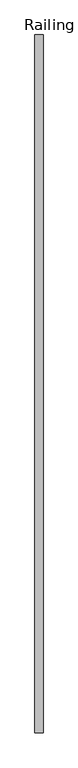
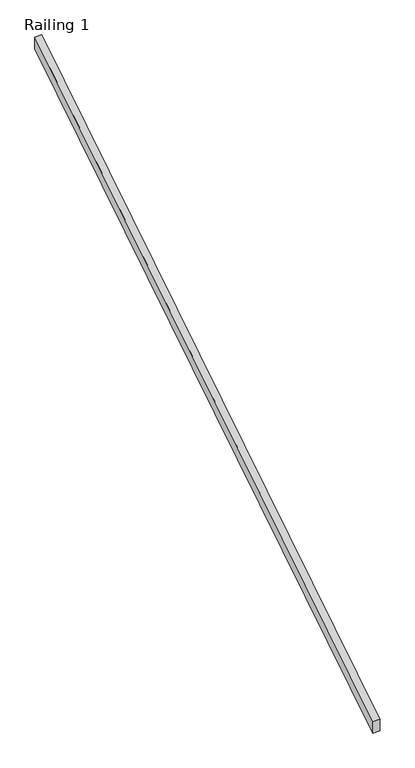
"""IFC4 building model written with IfcOpenShell, lengths in millimetres: railing geometry, Railing 1."""

from ifc_helpers import new_model, si_unit, frame, origin, place, context, project, spatial, polyline, outline, extrude, source, transform, mapped, element, save


def railing_1_45dc8875(model_context):
    return source(origin(), model_context, "Body", "SweptSolid", [
        extrude(outline(polyline([(176543.4596581, 1138.5313094), (176543.4596581, 1228.4891807), (180886.8596581, 3953.7679687), (180886.8596581, 3863.8100975), (176543.4596581, 1138.5313094)])), frame((221838.0228488, 0.0, 0.0), z_axis=(1.0, 0.0, 0.0), x_axis=(0.0, 1.0, 0.0)), (0.0, 0.0, 1.0), 50.8),
    ])


if __name__ == "__main__":
    model = new_model("IFC4")
    model_context = context("Model", 3, world=origin())
    ifc_project = project(units=[si_unit("LENGTHUNIT", "METRE", prefix="MILLI")], contexts=[model_context])
    site = spatial("IfcSite", under=ifc_project)
    building = spatial("IfcBuilding", under=site)
    placement = place(None, origin())
    railing_1_shape = railing_1_45dc8875(model_context)
    element("IfcRailing", 1, ObjectType="Railing 1", at=placement, inside=building, context=model_context, shape_type="MappedRepresentation", body=[
        mapped(railing_1_shape, transform((0.0, 0.0, 0.0), x_axis=(1.0, 0.0, 0.0), y_axis=(0.0, 1.0, 0.0), z_axis=(0.0, 0.0, 1.0))),
    ])
    save(model, "model.ifc")
